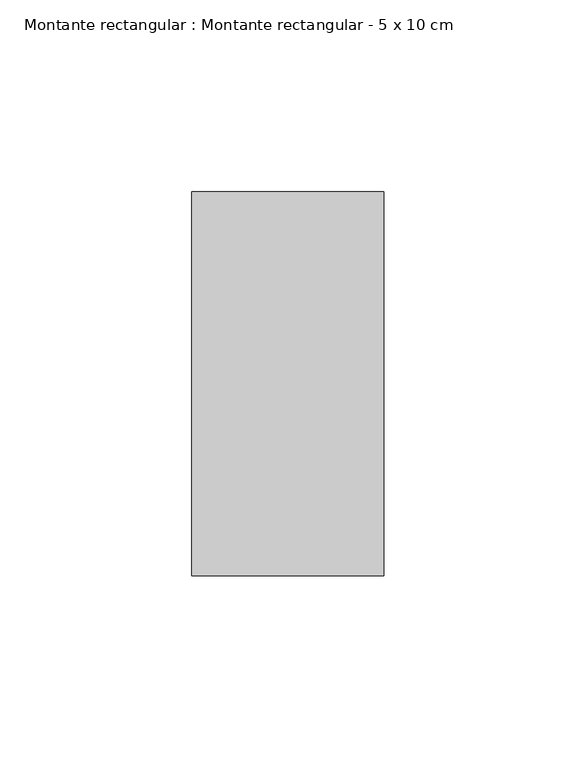
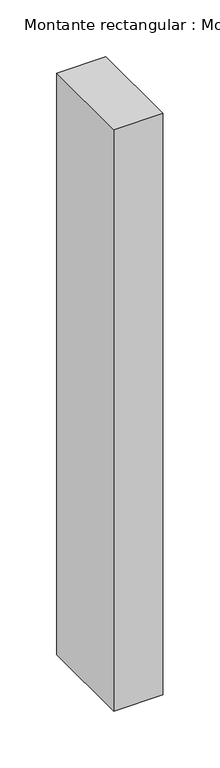
"""IFC4 building model written with IfcOpenShell, lengths in millimetres: member geometry, Montante rectangular : Montante rectangular - 5 x 10 cm."""

from ifc_helpers import new_model, si_unit, frame, origin, place, context, project, spatial, polyline, outline, extrude, source, transform, mapped, element, save


def montante_rectangular_montante_rectangular_5_x_10_cm_e289c56d(model_context):
    return source(origin(), model_context, "Body", "SweptSolid", [
        extrude(outline(polyline([(-50.0, 50.0), (0.0, 50.0), (0.0, -50.0), (-50.0, -50.0), (-50.0, 50.0)])), frame((0.0, 0.0, -625.054302), z_axis=(0.0, 0.0, 1.0), x_axis=(1.0, 0.0, 0.0)), (0.0, 0.0, 1.0), 625.054302),
    ])


if __name__ == "__main__":
    model = new_model("IFC4")
    model_context = context("Model", 3, world=origin())
    ifc_project = project(units=[si_unit("LENGTHUNIT", "METRE", prefix="MILLI")], contexts=[model_context])
    site = spatial("IfcSite", under=ifc_project)
    building = spatial("IfcBuilding", under=site)
    placement = place(None, origin())
    montante_rectangular_montante_rectangular_5_x_10_cm_shape = montante_rectangular_montante_rectangular_5_x_10_cm_e289c56d(model_context)
    element("IfcMember", 1, ObjectType="Montante rectangular : Montante rectangular - 5 x 10 cm", at=placement, inside=building, context=model_context, shape_type="MappedRepresentation", body=[
        mapped(montante_rectangular_montante_rectangular_5_x_10_cm_shape, transform((0.0, 0.0, 0.0), x_axis=(1.0, 0.0, 0.0), y_axis=(0.0, 1.0, 0.0), z_axis=(0.0, 0.0, 1.0))),
    ])
    save(model, "model.ifc")
